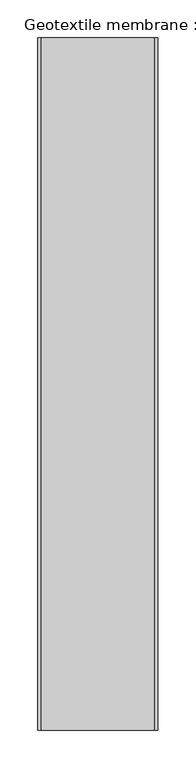
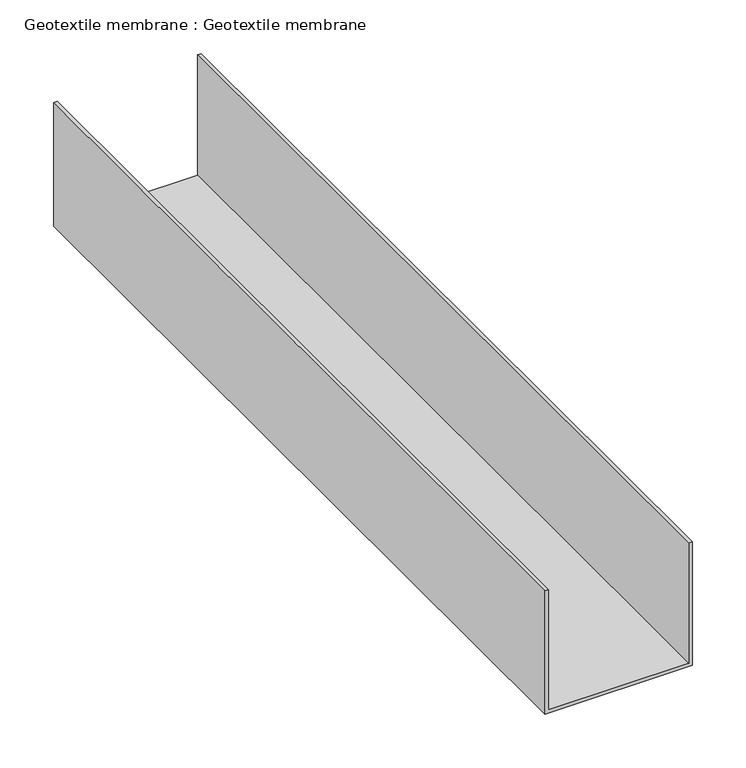
"""IFC4 building model written with IfcOpenShell, lengths in millimetres: proxy geometry, Geotextile membrane : Geotextile membrane."""

from ifc_helpers import new_model, si_unit, frame, origin, place, context, project, spatial, polyline, outline, extrude, source, transform, mapped, element, save


def geotextile_membrane_geotextile_membrane_2d8c730a(model_context):
    return source(origin(), model_context, "Body", "SweptSolid", [
        extrude(outline(polyline([(569.124393, 37682.2530211), (569.124393, 37678.46875), (428.7992707, 37678.46875), (428.7992707, 37836.8702086), (569.124393, 37836.8702086), (569.124393, 37833.0859375), (432.5835418, 37833.0859375), (432.5835418, 37682.2530211), (569.124393, 37682.2530211)])), frame((0.0, -19576.8264268, 0.0), z_axis=(0.0, 1.0, 0.0), x_axis=(0.0, 0.0, 1.0)), (0.0, 0.0, 1.0), 914.4),
    ])


if __name__ == "__main__":
    model = new_model("IFC4")
    model_context = context("Model", 3, world=origin())
    ifc_project = project(units=[si_unit("LENGTHUNIT", "METRE", prefix="MILLI")], contexts=[model_context])
    site = spatial("IfcSite", under=ifc_project)
    building = spatial("IfcBuilding", under=site)
    placement = place(None, origin())
    geotextile_membrane_geotextile_membrane_shape = geotextile_membrane_geotextile_membrane_2d8c730a(model_context)
    element("IfcBuildingElementProxy", 1, Name="Geotextile membrane : Geotextile membrane", ObjectType="Geotextile membrane : Geotextile membrane", at=placement, inside=building, context=model_context, shape_type="MappedRepresentation", body=[
        mapped(geotextile_membrane_geotextile_membrane_shape, transform((0.0, 0.0, 0.0), x_axis=(1.0, 0.0, 0.0), y_axis=(0.0, 1.0, 0.0), z_axis=(0.0, 0.0, 1.0))),
    ])
    save(model, "model.ifc")
